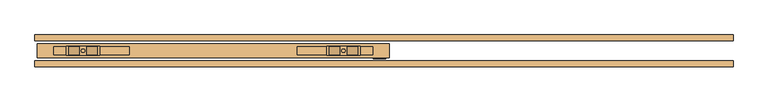
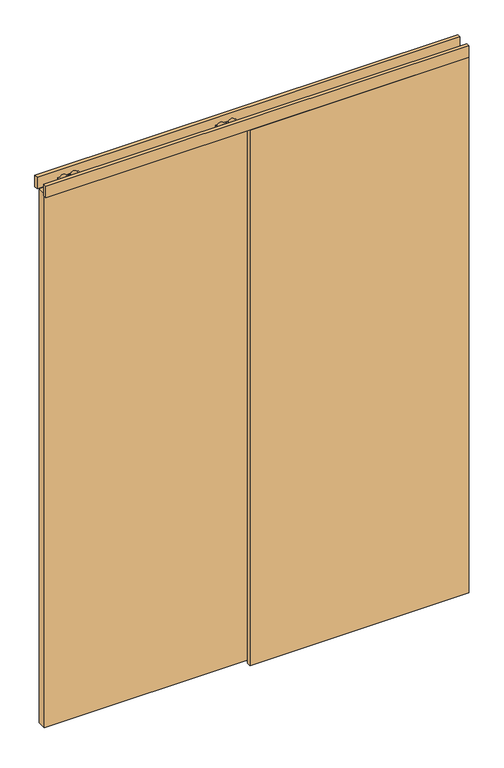
"""IFC4 building model written with IfcOpenShell, lengths in millimetres: door geometry."""

from ifc_helpers import new_model, si_unit, frame, origin, origin_with_axes, place, context, project, spatial, polyline, circle_curve, outline, extrude, source, transform, mapped, element, save
from ifc_brep_helpers import plane_surface, cylinder_surface, advanced_brep


def door_aa74b47d(model_context):
    return source(origin(), model_context, "Body", "SolidModel", [
        advanced_brep(
        [(-820.0, -5.75, 2687.5), (-725.0, -5.75, 2687.5), (-725.0, 20.25, 2687.5), (-820.0, 20.25, 2687.5), (-762.072332, 17.9531798, 2687.5), (-731.78306, 17.9531798, 2687.5), (-731.78306, -3.4531798, 2687.5), (-762.072332, -3.4531798, 2687.5), (-813.21694, 17.9531798, 2687.5), (-782.927668, 17.9531798, 2687.5), (-782.927668, -3.4531798, 2687.5), (-813.21694, -3.4531798, 2687.5), (-777.45, 7.25, 2687.5), (-767.55, 7.25, 2687.5), (-820.0, -5.75, 2672.5), (-820.0, 20.25, 2672.5), (-725.0, 20.25, 2672.5), (-725.0, -5.75, 2672.5), (-731.78306, 17.9531798, 2672.5), (-762.072332, 17.9531798, 2672.5), (-762.072332, -3.4531798, 2672.5), (-731.78306, -3.4531798, 2672.5), (-782.927668, 17.9531798, 2672.5), (-813.21694, 17.9531798, 2672.5), (-813.21694, -3.4531798, 2672.5), (-782.927668, -3.4531798, 2672.5), (-767.55, 7.25, 2672.5), (-777.45, 7.25, 2672.5), (-767.55, 7.25, 2693.0), (-777.45, 7.25, 2693.0), (-767.55, 7.25, 2656.0), (-777.45, 7.25, 2656.0)],
        [
            (0, 1),
            (1, 2),
            (2, 3),
            (3, 0),
            (4, 5),
            (5, 6),
            (6, 7),
            (7, 4),
            (8, 9),
            (9, 10),
            (10, 11),
            (11, 8),
            (12, 13, circle_curve(frame((-772.5, 7.25, 2687.5), z_axis=(0.0, 0.0, -1.0), x_axis=(-1.0, 0.0, 0.0)), 4.95)),
            (13, 12, circle_curve(frame((-772.5, 7.25, 2687.5), z_axis=(0.0, 0.0, -1.0), x_axis=(-1.0, 0.0, 0.0)), 4.95)),
            (14, 15),
            (15, 16),
            (16, 17),
            (17, 14),
            (18, 19),
            (19, 20),
            (20, 21),
            (21, 18),
            (22, 23),
            (23, 24),
            (24, 25),
            (25, 22),
            (26, 27, circle_curve(frame((-772.5, 7.25, 2672.5), z_axis=(0.0, 0.0, 1.0), x_axis=(-1.0, 0.0, 0.0)), 4.95)),
            (27, 26, circle_curve(frame((-772.5, 7.25, 2672.5), z_axis=(0.0, 0.0, 1.0), x_axis=(-1.0, 0.0, 0.0)), 4.95)),
            (0, 14),
            (17, 1),
            (16, 2),
            (15, 3),
            (4, 5, circle_curve(frame((-746.927696, 17.9531798, 2680.0), z_axis=(0.0, 1.0, 0.0), x_axis=(-1.0, 0.0, 0.0)), 16.9)),
            (18, 19, circle_curve(frame((-746.927696, 17.9531798, 2680.0), z_axis=(0.0, 1.0, 0.0), x_axis=(-1.0, 0.0, 0.0)), 16.9)),
            (6, 7, circle_curve(frame((-746.927696, -3.4531798, 2680.0), z_axis=(0.0, -1.0, 0.0), x_axis=(-1.0, 0.0, 0.0)), 16.9)),
            (20, 21, circle_curve(frame((-746.927696, -3.4531798, 2680.0), z_axis=(0.0, -1.0, 0.0), x_axis=(-1.0, 0.0, 0.0)), 16.9)),
            (8, 9, circle_curve(frame((-798.072304, 17.9531798, 2680.0), z_axis=(0.0, 1.0, 0.0), x_axis=(1.0, 0.0, 0.0)), 16.9)),
            (22, 23, circle_curve(frame((-798.072304, 17.9531798, 2680.0), z_axis=(0.0, 1.0, 0.0), x_axis=(1.0, 0.0, 0.0)), 16.9)),
            (10, 11, circle_curve(frame((-798.072304, -3.4531798, 2680.0), z_axis=(0.0, -1.0, 0.0), x_axis=(1.0, 0.0, 0.0)), 16.9)),
            (24, 25, circle_curve(frame((-798.072304, -3.4531798, 2680.0), z_axis=(0.0, -1.0, 0.0), x_axis=(1.0, 0.0, 0.0)), 16.9)),
            (28, 29, circle_curve(frame((-772.5, 7.25, 2693.0), z_axis=(0.0, 0.0, 1.0), x_axis=(-1.0, 0.0, 0.0)), 4.95)),
            (29, 28, circle_curve(frame((-772.5, 7.25, 2693.0), z_axis=(0.0, 0.0, 1.0), x_axis=(-1.0, 0.0, 0.0)), 4.95)),
            (30, 31, circle_curve(frame((-772.5, 7.25, 2656.0), z_axis=(0.0, 0.0, -1.0), x_axis=(-1.0, 0.0, 0.0)), 4.95)),
            (31, 30, circle_curve(frame((-772.5, 7.25, 2656.0), z_axis=(0.0, 0.0, -1.0), x_axis=(-1.0, 0.0, 0.0)), 4.95)),
            (28, 13),
            (12, 29),
            (31, 27),
            (26, 30),
        ],
        [
            plane_surface(frame((-725.0, -5.75, 2687.5), z_axis=(0.0, 0.0, 1.0), x_axis=(1.0, 0.0, 0.0))),
            plane_surface(frame((-725.0, -5.75, 2672.5), z_axis=(0.0, 0.0, -1.0), x_axis=(-1.0, 0.0, 0.0))),
            plane_surface(frame((-820.0, -5.75, 2687.5), z_axis=(0.0, -1.0, 0.0), x_axis=(0.0, 0.0, -1.0))),
            plane_surface(frame((-725.0, -5.75, 2687.5), z_axis=(1.0, 0.0, 0.0), x_axis=(0.0, 0.0, -1.0))),
            plane_surface(frame((-725.0, 20.25, 2687.5), z_axis=(0.0, 1.0, 0.0), x_axis=(0.0, 0.0, -1.0))),
            plane_surface(frame((-820.0, 20.25, 2687.5), z_axis=(-1.0, 0.0, 0.0), x_axis=(0.0, 0.0, -1.0))),
            plane_surface(frame((-763.827696, 17.9531798, 2680.0), z_axis=(0.0, 1.0, 0.0), x_axis=(0.0, 0.0, 1.0))),
            plane_surface(frame((-763.827696, -3.4531798, 2680.0), z_axis=(0.0, -1.0, 0.0), x_axis=(0.0, 0.0, -1.0))),
            cylinder_surface(frame((-746.927696, -3.4531798, 2680.0), z_axis=(0.0, 1.0, 0.0), x_axis=(-1.0, 0.0, 0.0)), 16.9),
            plane_surface(frame((-781.172304, 17.9531798, 2680.0), z_axis=(0.0, 1.0, 0.0), x_axis=(0.0, 0.0, -1.0))),
            plane_surface(frame((-781.172304, -3.4531798, 2680.0), z_axis=(0.0, -1.0, 0.0), x_axis=(0.0, 0.0, 1.0))),
            cylinder_surface(frame((-798.072304, -3.4531798, 2680.0), z_axis=(0.0, 1.0, 0.0), x_axis=(1.0, 0.0, 0.0)), 16.9),
            plane_surface(frame((-777.45, 7.25, 2693.0), z_axis=(0.0, 0.0, 1.0), x_axis=(0.0, -1.0, 0.0))),
            plane_surface(frame((-777.45, 7.25, 2656.0), z_axis=(0.0, 0.0, -1.0), x_axis=(0.0, 1.0, 0.0))),
            cylinder_surface(frame((-772.5, 7.25, 2656.0), z_axis=(0.0, 0.0, 1.0), x_axis=(-1.0, 0.0, 0.0)), 4.95),
        ],
        [
            (0, [[1, 2, 3, 4], [5, 6, 7, 8], [9, 10, 11, 12], [13, 14]]),
            (1, [[15, 16, 17, 18], [19, 20, 21, 22], [23, 24, 25, 26], [27, 28]]),
            (2, [[-1, 29, -18, 30]]),
            (3, [[-2, -30, -17, 31]]),
            (4, [[-3, -31, -16, 32]]),
            (5, [[-4, -32, -15, -29]]),
            (6, [[33, -5]]),
            (6, [[34, -19]]),
            (7, [[35, -7]]),
            (7, [[36, -21]]),
            (8, [[-34, -22, -36, -20]]),
            (8, [[-33, -8, -35, -6]]),
            (9, [[37, -9]]),
            (9, [[38, -23]]),
            (10, [[39, -11]]),
            (10, [[40, -25]]),
            (11, [[-38, -26, -40, -24]]),
            (11, [[-37, -12, -39, -10]]),
            (12, [[41, 42]]),
            (13, [[43, 44]]),
            (14, [[-41, 45, -13, 46]]),
            (14, [[-44, 47, -27, 48]]),
            (14, [[-42, -46, -14, -45]]),
            (14, [[-43, -48, -28, -47]]),
        ],
    ),
        extrude(outline(polyline([(-856.5, 18.5074263), (-641.5, 18.5074263), (-641.5, -3.4925737), (-856.5, -3.4925737), (-856.5, 18.5074263)])), frame((0.0, 0.0, 2631.2), z_axis=(0.0, 0.0, 1.0), x_axis=(1.0, 0.0, 0.0)), (0.0, 0.0, 1.0), 24.8),
        advanced_brep(
        [(15.0, -5.75, 2687.5), (15.0, 20.25, 2687.5), (-80.0, 20.25, 2687.5), (-80.0, -5.75, 2687.5), (-42.927668, 17.9531798, 2687.5), (-42.927668, -3.4531798, 2687.5), (-73.21694, -3.4531798, 2687.5), (-73.21694, 17.9531798, 2687.5), (8.21694, 17.9531798, 2687.5), (8.21694, -3.4531798, 2687.5), (-22.072332, -3.4531798, 2687.5), (-22.072332, 17.9531798, 2687.5), (-27.55, 7.25, 2687.5), (-37.45, 7.25, 2687.5), (15.0, -5.75, 2672.5), (-80.0, -5.75, 2672.5), (-80.0, 20.25, 2672.5), (15.0, 20.25, 2672.5), (-73.21694, 17.9531798, 2672.5), (-73.21694, -3.4531798, 2672.5), (-42.927668, -3.4531798, 2672.5), (-42.927668, 17.9531798, 2672.5), (-22.072332, 17.9531798, 2672.5), (-22.072332, -3.4531798, 2672.5), (8.21694, -3.4531798, 2672.5), (8.21694, 17.9531798, 2672.5), (-37.45, 7.25, 2672.5), (-27.55, 7.25, 2672.5), (-37.45, 7.25, 2693.0), (-27.55, 7.25, 2693.0), (-37.45, 7.25, 2656.0), (-27.55, 7.25, 2656.0)],
        [
            (0, 1),
            (1, 2),
            (2, 3),
            (3, 0),
            (4, 5),
            (5, 6),
            (6, 7),
            (7, 4),
            (8, 9),
            (9, 10),
            (10, 11),
            (11, 8),
            (12, 13, circle_curve(frame((-32.5, 7.25, 2687.5), z_axis=(0.0, 0.0, -1.0), x_axis=(1.0, 0.0, 0.0)), 4.95)),
            (13, 12, circle_curve(frame((-32.5, 7.25, 2687.5), z_axis=(0.0, 0.0, -1.0), x_axis=(1.0, 0.0, 0.0)), 4.95)),
            (14, 15),
            (15, 16),
            (16, 17),
            (17, 14),
            (18, 19),
            (19, 20),
            (20, 21),
            (21, 18),
            (22, 23),
            (23, 24),
            (24, 25),
            (25, 22),
            (26, 27, circle_curve(frame((-32.5, 7.25, 2672.5), z_axis=(0.0, 0.0, 1.0), x_axis=(1.0, 0.0, 0.0)), 4.95)),
            (27, 26, circle_curve(frame((-32.5, 7.25, 2672.5), z_axis=(0.0, 0.0, 1.0), x_axis=(1.0, 0.0, 0.0)), 4.95)),
            (3, 15),
            (14, 0),
            (2, 16),
            (1, 17),
            (7, 4, circle_curve(frame((-58.072304, 17.9531798, 2680.0), z_axis=(0.0, 1.0, 0.0), x_axis=(1.0, 0.0, 0.0)), 16.9)),
            (21, 18, circle_curve(frame((-58.072304, 17.9531798, 2680.0), z_axis=(0.0, 1.0, 0.0), x_axis=(1.0, 0.0, 0.0)), 16.9)),
            (5, 6, circle_curve(frame((-58.072304, -3.4531798, 2680.0), z_axis=(0.0, -1.0, 0.0), x_axis=(1.0, 0.0, 0.0)), 16.9)),
            (19, 20, circle_curve(frame((-58.072304, -3.4531798, 2680.0), z_axis=(0.0, -1.0, 0.0), x_axis=(1.0, 0.0, 0.0)), 16.9)),
            (11, 8, circle_curve(frame((-6.927696, 17.9531798, 2680.0), z_axis=(0.0, 1.0, 0.0), x_axis=(-1.0, 0.0, 0.0)), 16.9)),
            (25, 22, circle_curve(frame((-6.927696, 17.9531798, 2680.0), z_axis=(0.0, 1.0, 0.0), x_axis=(-1.0, 0.0, 0.0)), 16.9)),
            (9, 10, circle_curve(frame((-6.927696, -3.4531798, 2680.0), z_axis=(0.0, -1.0, 0.0), x_axis=(-1.0, 0.0, 0.0)), 16.9)),
            (23, 24, circle_curve(frame((-6.927696, -3.4531798, 2680.0), z_axis=(0.0, -1.0, 0.0), x_axis=(-1.0, 0.0, 0.0)), 16.9)),
            (28, 29, circle_curve(frame((-32.5, 7.25, 2693.0), z_axis=(0.0, 0.0, 1.0), x_axis=(1.0, 0.0, 0.0)), 4.95)),
            (29, 28, circle_curve(frame((-32.5, 7.25, 2693.0), z_axis=(0.0, 0.0, 1.0), x_axis=(1.0, 0.0, 0.0)), 4.95)),
            (30, 31, circle_curve(frame((-32.5, 7.25, 2656.0), z_axis=(0.0, 0.0, -1.0), x_axis=(1.0, 0.0, 0.0)), 4.95)),
            (31, 30, circle_curve(frame((-32.5, 7.25, 2656.0), z_axis=(0.0, 0.0, -1.0), x_axis=(1.0, 0.0, 0.0)), 4.95)),
            (30, 26),
            (27, 31),
            (29, 12),
            (13, 28),
        ],
        [
            plane_surface(frame((-80.0, -5.75, 2687.5), z_axis=(0.0, 0.0, 1.0), x_axis=(-1.0, 0.0, 0.0))),
            plane_surface(frame((-80.0, -5.75, 2672.5), z_axis=(0.0, 0.0, -1.0), x_axis=(1.0, 0.0, 0.0))),
            plane_surface(frame((15.0, -5.75, 2687.5), z_axis=(0.0, -1.0, 0.0), x_axis=(0.0, 0.0, -1.0))),
            plane_surface(frame((-80.0, -5.75, 2687.5), z_axis=(-1.0, 0.0, 0.0), x_axis=(0.0, 0.0, -1.0))),
            plane_surface(frame((-80.0, 20.25, 2687.5), z_axis=(0.0, 1.0, 0.0), x_axis=(0.0, 0.0, -1.0))),
            plane_surface(frame((15.0, 20.25, 2687.5), z_axis=(1.0, 0.0, 0.0), x_axis=(0.0, 0.0, -1.0))),
            plane_surface(frame((-41.172304, 17.9531798, 2680.0), z_axis=(0.0, 1.0, 0.0), x_axis=(0.0, 0.0, 1.0))),
            plane_surface(frame((-41.172304, -3.4531798, 2680.0), z_axis=(0.0, -1.0, 0.0), x_axis=(0.0, 0.0, -1.0))),
            cylinder_surface(frame((-58.072304, -3.4531798, 2680.0), z_axis=(0.0, 1.0, 0.0), x_axis=(1.0, 0.0, 0.0)), 16.9),
            plane_surface(frame((-23.827696, 17.9531798, 2680.0), z_axis=(0.0, 1.0, 0.0), x_axis=(0.0, 0.0, -1.0))),
            plane_surface(frame((-23.827696, -3.4531798, 2680.0), z_axis=(0.0, -1.0, 0.0), x_axis=(0.0, 0.0, 1.0))),
            cylinder_surface(frame((-6.927696, -3.4531798, 2680.0), z_axis=(0.0, 1.0, 0.0), x_axis=(-1.0, 0.0, 0.0)), 16.9),
            plane_surface(frame((-27.55, 7.25, 2693.0), z_axis=(0.0, 0.0, 1.0), x_axis=(0.0, -1.0, 0.0))),
            plane_surface(frame((-27.55, 7.25, 2656.0), z_axis=(0.0, 0.0, -1.0), x_axis=(0.0, 1.0, 0.0))),
            cylinder_surface(frame((-32.5, 7.25, 2656.0), z_axis=(0.0, 0.0, 1.0), x_axis=(1.0, 0.0, 0.0)), 4.95),
        ],
        [
            (0, [[1, 2, 3, 4], [5, 6, 7, 8], [9, 10, 11, 12], [13, 14]]),
            (1, [[15, 16, 17, 18], [19, 20, 21, 22], [23, 24, 25, 26], [27, 28]]),
            (2, [[29, -15, 30, -4]]),
            (3, [[31, -16, -29, -3]]),
            (4, [[32, -17, -31, -2]]),
            (5, [[-30, -18, -32, -1]]),
            (6, [[-8, 33]]),
            (6, [[-22, 34]]),
            (7, [[-6, 35]]),
            (7, [[-20, 36]]),
            (8, [[-21, -36, -19, -34]]),
            (8, [[-7, -35, -5, -33]]),
            (9, [[-12, 37]]),
            (9, [[-26, 38]]),
            (10, [[-10, 39]]),
            (10, [[-24, 40]]),
            (11, [[-25, -40, -23, -38]]),
            (11, [[-11, -39, -9, -37]]),
            (12, [[41, 42]]),
            (13, [[43, 44]]),
            (14, [[45, -28, 46, -43]]),
            (14, [[47, -14, 48, -42]]),
            (14, [[-48, -13, -47, -41]]),
            (14, [[-46, -27, -45, -44]]),
        ],
    ),
        extrude(outline(polyline([(51.5, 18.5074263), (51.5, -3.4925737), (-163.5, -3.4925737), (-163.5, 18.5074263), (51.5, 18.5074263)])), frame((0.0, 0.0, 2631.2), z_axis=(0.0, 0.0, 1.0), x_axis=(1.0, 0.0, 0.0)), (0.0, 0.0, 1.0), 24.8),
        extrude(outline(polyline([(-902.5, -12.75), (-902.5, 27.25), (97.5, 27.25), (97.5, -12.75), (-902.5, -12.75)])), frame((0.0, 0.0, 10.0), z_axis=(0.0, 0.0, 1.0), x_axis=(1.0, 0.0, 0.0)), (0.0, 0.0, 1.0), 2646.0),
        extrude(outline(polyline([(-15.3483682, 2.0), (-1.6516318, 2.0), (-1.6516318, 26.0), (2.6516318, 26.0), (2.6516318, 2.0), (21.25, 2.0), (21.25, 0.0), (-15.3483682, 0.0), (-15.3483682, 2.0)])), frame((52.5, 0.0, 0.0), z_axis=(1.0, 0.0, 0.0), x_axis=(0.0, 1.0, 0.0)), (0.0, 0.0, 1.0), 35.0),
        extrude(outline(polyline([(1075.5, -37.75), (-909.5, -37.75), (-909.5, -20.75), (1075.5, -20.75), (1075.5, -37.75)])), frame((0.0, 0.0, 2655.0), z_axis=(0.0, 0.0, 1.0), x_axis=(1.0, 0.0, 0.0)), (0.0, 0.0, 1.0), 57.0),
        extrude(outline(polyline([(1075.5, 35.25), (-909.5, 35.25), (-909.5, 52.25), (1075.5, 52.25), (1075.5, 35.25)])), frame((0.0, 0.0, 2655.0), z_axis=(0.0, 0.0, 1.0), x_axis=(1.0, 0.0, 0.0)), (0.0, 0.0, 1.0), 57.0),
        extrude(outline(polyline([(1075.5, -37.75), (47.5, -37.75), (47.5, -20.75), (1075.5, -20.75), (1075.5, -37.75)])), origin_with_axes(), (0.0, 0.0, 1.0), 2655.0),
        extrude(outline(polyline([(1075.5, 35.25), (47.5, 35.25), (47.5, 52.25), (1075.5, 52.25), (1075.5, 35.25)])), origin_with_axes(), (0.0, 0.0, 1.0), 2655.0),
    ])


if __name__ == "__main__":
    model = new_model("IFC4")
    model_context = context("Model", 3, world=origin())
    ifc_project = project(units=[si_unit("LENGTHUNIT", "METRE", prefix="MILLI")], contexts=[model_context])
    site = spatial("IfcSite", under=ifc_project)
    building = spatial("IfcBuilding", under=site)
    placement = place(None, origin())
    door_shape = door_aa74b47d(model_context)
    element("IfcDoor", 1, at=placement, inside=building, context=model_context, shape_type="MappedRepresentation", body=[
        mapped(door_shape, transform((0.0, 0.0, 0.0), x_axis=(1.0, 0.0, 0.0), y_axis=(0.0, 1.0, 0.0), z_axis=(0.0, 0.0, 1.0))),
    ])
    save(model, "model.ifc")
